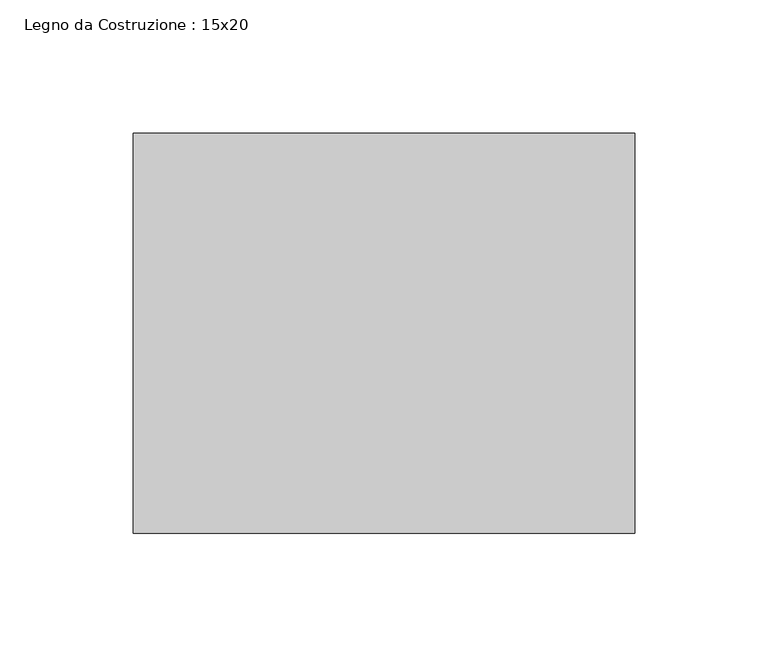
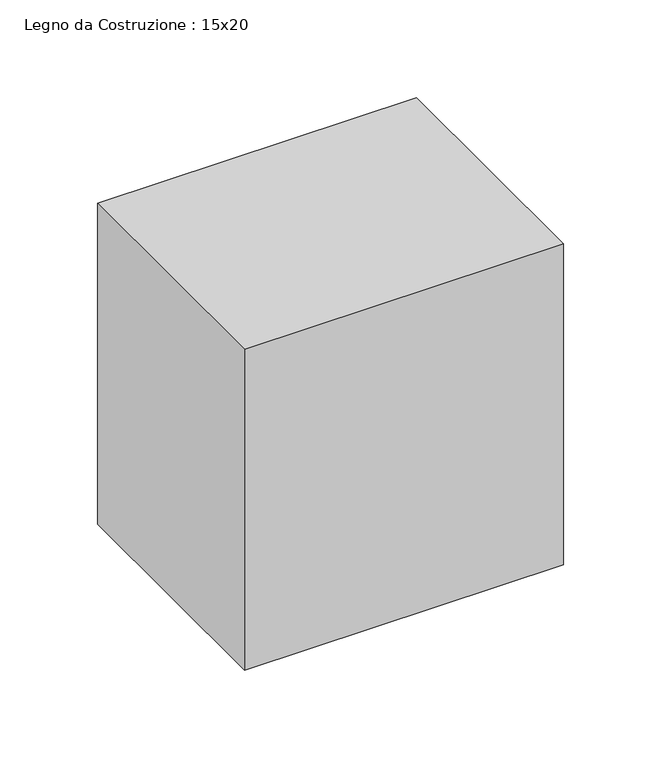
"""IFC4 building model written with IfcOpenShell, lengths in millimetres: beam geometry, Legno da Costruzione : 15x20."""

from ifc_helpers import new_model, si_unit, frame, origin, place, context, project, spatial, polyline, outline, extrude, source, transform, mapped, element, save


def legno_da_costruzione_15x20_e5b3ecc6(model_context):
    return source(origin(), model_context, "Body", "SweptSolid", [
        extrude(outline(polyline([(188.5, 75.0), (188.5, -75.0), (0.5, -75.0), (0.5, 75.0), (188.5, 75.0)])), frame((0.0, 0.0, -100.0), z_axis=(0.0, 0.0, 1.0), x_axis=(1.0, 0.0, 0.0)), (0.0, 0.0, 1.0), 200.0),
    ])


if __name__ == "__main__":
    model = new_model("IFC4")
    model_context = context("Model", 3, world=origin())
    ifc_project = project(units=[si_unit("LENGTHUNIT", "METRE", prefix="MILLI")], contexts=[model_context])
    site = spatial("IfcSite", under=ifc_project)
    building = spatial("IfcBuilding", under=site)
    placement = place(None, origin())
    legno_da_costruzione_15x20_shape = legno_da_costruzione_15x20_e5b3ecc6(model_context)
    element("IfcBeam", 1, ObjectType="Legno da Costruzione : 15x20", at=placement, inside=building, context=model_context, shape_type="MappedRepresentation", body=[
        mapped(legno_da_costruzione_15x20_shape, transform((0.0, 0.0, 0.0), x_axis=(1.0, 0.0, 0.0), y_axis=(0.0, 1.0, 0.0), z_axis=(0.0, 0.0, 1.0))),
    ])
    save(model, "model.ifc")
